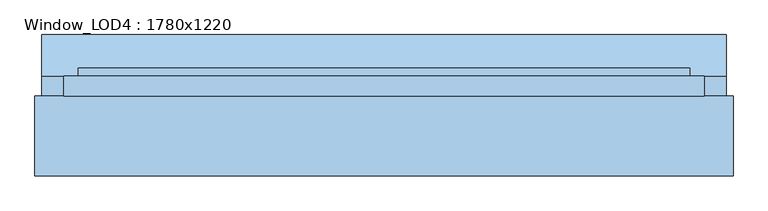
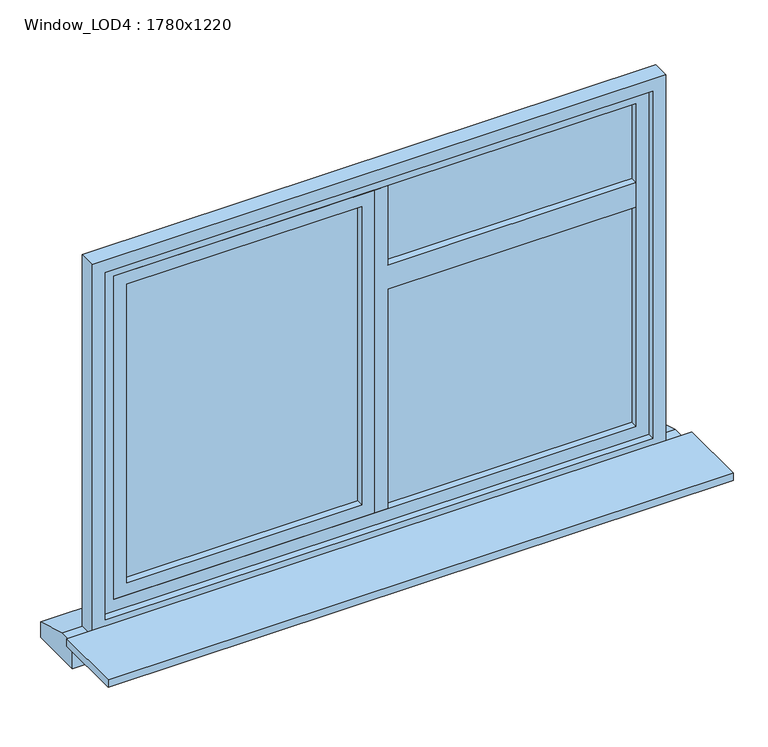
"""IFC4 building model written with IfcOpenShell, lengths in millimetres: window geometry, Window_LOD4 : 1780x1220."""

from ifc_helpers import new_model, si_unit, frame, origin, place, context, project, spatial, polyline, outline, extrude, source, transform, mapped, element, save


def window_lod4_1780x1220_a1b756af(model_context):
    return source(origin(), model_context, "Body", "SweptSolid", [
        extrude(outline(polyline([(1600.0, 40.0), (1600.0, 810.0000356), (1680.0, 810.0000356), (1680.0, 40.0), (1940.0000489, 40.0), (1940.0000489, 0.0), (880.0, 0.0), (880.0, 40.0), (1600.0, 40.0)])), frame((0.0, 37.5, 0.0), z_axis=(0.0, 1.0, 0.0), x_axis=(0.0, 0.0, 1.0)), (0.0, 0.0, 1.0), 55.0),
        extrude(outline(polyline([(1940.0000489, 0.0), (1940.0000489, -810.0000356), (880.0, -810.0000356), (880.0, 0.0), (1940.0000489, 0.0)]), holes=[polyline([(1900.0000489, -40.0), (920.0, -40.0), (920.0, -770.0000356), (1900.0000489, -770.0000356), (1900.0000489, -40.0)])]), frame((0.0, 37.5, 0.0), z_axis=(0.0, 1.0, 0.0), x_axis=(0.0, 0.0, 1.0)), (0.0, 0.0, 1.0), 55.0),
        extrude(outline(polyline([(810.0000356, 60.0), (40.0, 60.0), (40.0, 70.0), (810.0000356, 70.0), (810.0000356, 60.0)])), frame((0.0, 0.0, 880.0), z_axis=(0.0, 0.0, 1.0), x_axis=(1.0, 0.0, 0.0)), (0.0, 0.0, 1.0), 1060.0000489),
        extrude(outline(polyline([(1980.0000489, -850.0000356), (840.0, -850.0000356), (840.0, 850.0000356), (1980.0000489, 850.0000356), (1980.0000489, -850.0000356)]), holes=[polyline([(1940.0000489, -810.0000356), (1940.0000489, 810.0000356), (880.0, 810.0000356), (880.0, -810.0000356), (1940.0000489, -810.0000356)])]), frame((0.0, 37.5, 0.0), z_axis=(0.0, 1.0, 0.0), x_axis=(0.0, 0.0, 1.0)), (0.0, 0.0, 1.0), 55.0),
        extrude(outline(polyline([(-40.0, 60.0), (-810.0000356, 60.0), (-810.0000356, 70.0), (-40.0, 70.0), (-40.0, 60.0)])), frame((0.0, 0.0, 880.0), z_axis=(0.0, 0.0, 1.0), x_axis=(1.0, 0.0, 0.0)), (0.0, 0.0, 1.0), 1060.0000489),
        extrude(outline(polyline([(70.0, 800.0), (185.0, 765.0), (185.0, 715.0), (15.0, 715.0), (15.0, 800.0), (70.0, 800.0)])), frame((-951.497375, 0.0, 0.0), z_axis=(1.0, 0.0, 0.0), x_axis=(0.0, 1.0, 0.0)), (0.0, 0.0, 1.0), 1902.99475),
        extrude(outline(polyline([(2020.0000489, -890.0000356), (800.0, -890.0000356), (800.0, 890.0000356), (2020.0000489, 890.0000356), (2020.0000489, -890.0000356)]), holes=[polyline([(1980.0000489, -850.0000356), (1980.0000489, 850.0000356), (840.0, 850.0000356), (840.0, -850.0000356), (1980.0000489, -850.0000356)])]), frame((0.0, 15.0, 0.0), z_axis=(0.0, 1.0, 0.0), x_axis=(0.0, 0.0, 1.0)), (0.0, 0.0, 1.0), 55.0),
        extrude(outline(polyline([(970.0000356, 15.0), (970.0000356, -207.9656872), (-970.0000356, -207.9656872), (-970.0000356, 15.0), (970.0000356, 15.0)])), frame((0.0, 0.0, 795.0), z_axis=(0.0, 0.0, 1.0), x_axis=(1.0, 0.0, 0.0)), (0.0, 0.0, 1.0), 25.0),
    ])


if __name__ == "__main__":
    model = new_model("IFC4")
    model_context = context("Model", 3, world=origin())
    ifc_project = project(units=[si_unit("LENGTHUNIT", "METRE", prefix="MILLI")], contexts=[model_context])
    site = spatial("IfcSite", under=ifc_project)
    building = spatial("IfcBuilding", under=site)
    placement = place(None, origin())
    window_lod4_1780x1220_shape = window_lod4_1780x1220_a1b756af(model_context)
    element("IfcWindow", 1, ObjectType="Window_LOD4 : 1780x1220", at=placement, inside=building, context=model_context, shape_type="MappedRepresentation", body=[
        mapped(window_lod4_1780x1220_shape, transform((0.0, 0.0, 0.0), x_axis=(1.0, 0.0, 0.0), y_axis=(0.0, 1.0, 0.0), z_axis=(0.0, 0.0, 1.0))),
    ])
    save(model, "model.ifc")
